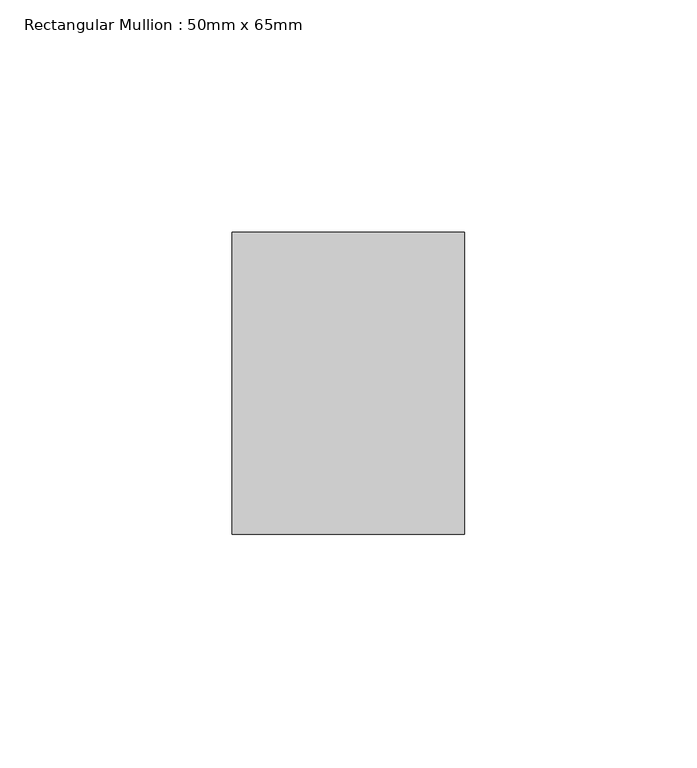
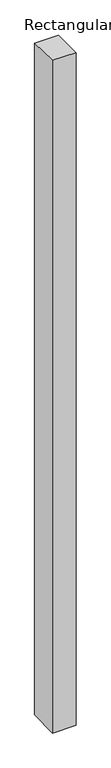
"""IFC4 building model written with IfcOpenShell, lengths in millimetres: member geometry, Rectangular Mullion : 50mm x 65mm."""

from ifc_helpers import new_model, si_unit, origin, place, context, project, spatial, faceted_brep, source, transform, mapped, element, save


def rectangular_mullion_50mm_x_65mm_f9553cbd(model_context):
    return source(origin(), model_context, "Body", "Brep", [
        faceted_brep([(-25.0, 32.5, -0.5637254), (25.0, 32.5, -0.5637244), (25.0, 32.5, -1499.5031645), (-25.0, 32.5, -1499.5031637), (-25.0, -32.5, 0.5637244), (-25.0, -32.5, -1500.4965195), (25.0, -32.5, 0.5637254), (25.0, -32.5, -1500.4965203)], [[[0, 1, 2, 3]], [[4, 0, 3, 5]], [[6, 4, 5, 7]], [[1, 6, 7, 2]], [[1, 0, 4, 6]], [[2, 7, 5, 3]]]),
    ])


if __name__ == "__main__":
    model = new_model("IFC4")
    model_context = context("Model", 3, world=origin())
    ifc_project = project(units=[si_unit("LENGTHUNIT", "METRE", prefix="MILLI")], contexts=[model_context])
    site = spatial("IfcSite", under=ifc_project)
    building = spatial("IfcBuilding", under=site)
    placement = place(None, origin())
    rectangular_mullion_50mm_x_65mm_shape = rectangular_mullion_50mm_x_65mm_f9553cbd(model_context)
    element("IfcMember", 1, ObjectType="Rectangular Mullion : 50mm x 65mm", at=placement, inside=building, context=model_context, shape_type="MappedRepresentation", body=[
        mapped(rectangular_mullion_50mm_x_65mm_shape, transform((0.0, 0.0, 0.0), x_axis=(1.0, 0.0, 0.0), y_axis=(0.0, 1.0, 0.0), z_axis=(0.0, 0.0, 1.0))),
    ])
    save(model, "model.ifc")
